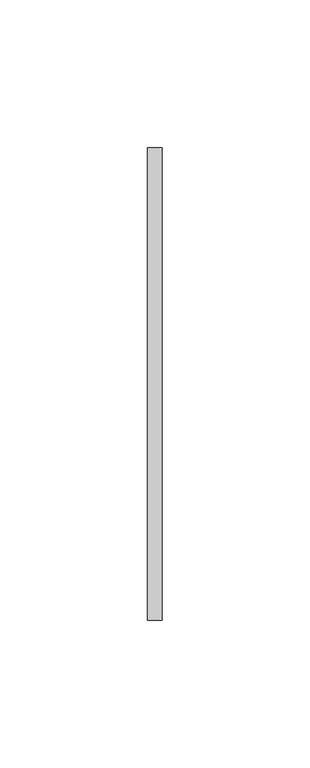
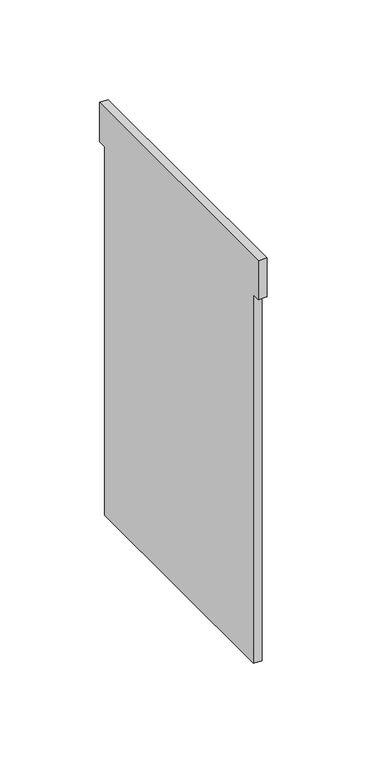
"""IFC4 building model written with IfcOpenShell, lengths in millimetres: proxy geometry."""

from ifc_helpers import new_model, si_unit, frame, origin, place, context, project, spatial, polyline, outline, extrude, source, transform, mapped, element, save


def generic_models_faba0dff(model_context):
    return source(origin(), model_context, "Body", "SweptSolid", [
        extrude(outline(polyline([(79.9999982, 0.0), (79.9999982, -24.0), (74.9999982, -24.0), (74.9999982, -250.0), (-74.9999982, -250.0), (-74.9999982, -24.0), (-79.9999982, -24.0), (-79.9999982, 0.0), (79.9999982, 0.0)])), frame((0.0, 0.0, 0.0), z_axis=(1.0, 0.0, 0.0), x_axis=(0.0, 1.0, 0.0)), (0.0, 0.0, 1.0), 5.0),
    ])


if __name__ == "__main__":
    model = new_model("IFC4")
    model_context = context("Model", 3, world=origin())
    ifc_project = project(units=[si_unit("LENGTHUNIT", "METRE", prefix="MILLI")], contexts=[model_context])
    site = spatial("IfcSite", under=ifc_project)
    building = spatial("IfcBuilding", under=site)
    placement = place(None, origin())
    generic_models_shape = generic_models_faba0dff(model_context)
    element("IfcBuildingElementProxy", 1, Name="Generic Models", at=placement, inside=building, context=model_context, shape_type="MappedRepresentation", body=[
        mapped(generic_models_shape, transform((0.0, 0.0, 0.0), x_axis=(1.0, 0.0, 0.0), y_axis=(0.0, 1.0, 0.0), z_axis=(0.0, 0.0, 1.0))),
    ])
    save(model, "model.ifc")
